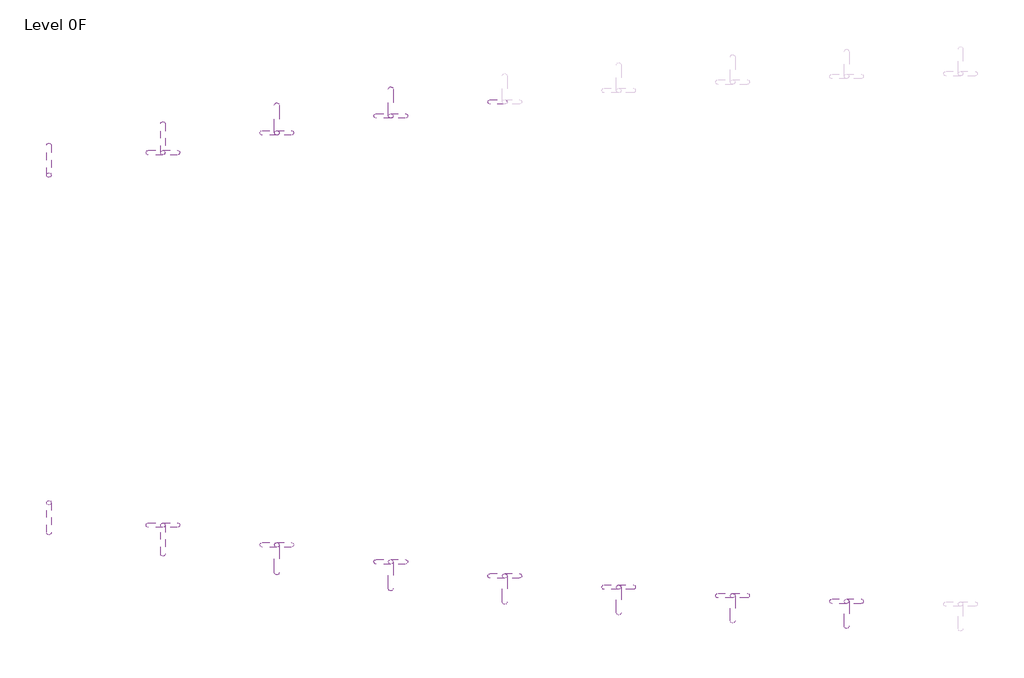
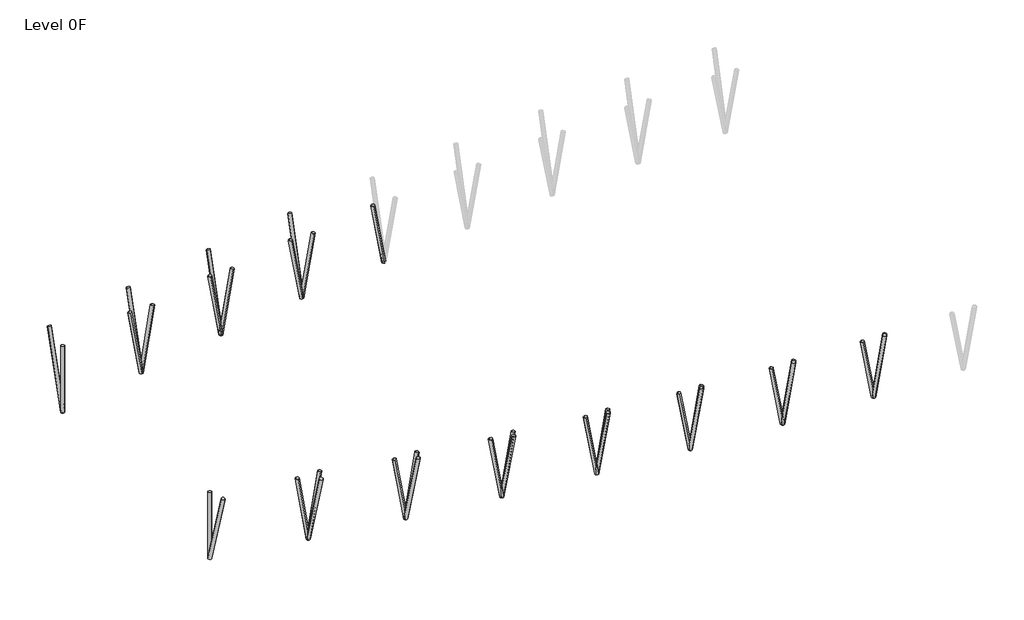
# One storey, part 1 of 3: 35 columns.
"""IFC4 building model written with IfcOpenShell, lengths in millimetres."""

from ifc_helpers import new_model, si_unit, point, frame, frame_2d, origin, place, context, project, spatial, circle_curve, trimmed, segment, composite_curve, outline, extrude, element, save

model = new_model("IFC4")

# Units and contexts
model_context = context("Model", 3, world=origin())
ifc_project = project(units=[si_unit("LENGTHUNIT", "METRE", prefix="MILLI")], contexts=[model_context])

# Site, building, storey
site = spatial("IfcSite", under=ifc_project)
building = spatial("IfcBuilding", under=site)
storey = spatial("IfcBuildingStorey", under=building, Name="Level 0F", Elevation=-1600.0)

# Columns
placement = place(None, origin())
element("IfcColumn", 1, ObjectType="CHS-Round tubes-Column : CHS 244.5x6", at=placement, inside=storey, context=model_context, shape_type="SweptSolid", body=[
    extrude(outline(composite_curve([segment(trimmed(circle_curve(frame_2d((0.0, -122.25)), 122.25), [point((0.0, -244.5))], [point((0.0, 0.0))], False, "CARTESIAN"), True, "CONTINUOUS"), segment(trimmed(circle_curve(frame_2d((0.0, -122.25)), 122.25), [point((0.0, 0.0))], [point((0.0, -244.5))], False, "CARTESIAN"), True, "CONTINUOUS")], self_intersect=False), holes=[composite_curve([segment(trimmed(circle_curve(frame_2d((0.0, -122.25)), 116.25), [point((0.0, -238.5))], [point((0.0, -6.0))], True, "CARTESIAN"), True, "CONTINUOUS"), segment(trimmed(circle_curve(frame_2d((0.0, -122.25)), 116.25), [point((0.0, -6.0))], [point((0.0, -238.5))], True, "CARTESIAN"), True, "CONTINUOUS")], self_intersect=False)]), frame((-43829.8410261, 29081.7727716, -100.0), z_axis=(0.0, 0.2883814640885274, 0.9575156036170677), x_axis=(0.0, 0.9575156036170677, -0.2883814640885274)), (0.0, 0.0, 1.0), 5326.2796289),
])
element("IfcColumn", 2, ObjectType="CHS-Round tubes-Column : CHS 244.5x6", at=placement, inside=storey, context=model_context, shape_type="SweptSolid", body=[
    extrude(outline(composite_curve([segment(trimmed(circle_curve(frame_2d((0.0, -122.25)), 122.25), [point((0.0, -244.5))], [point((0.0, 0.0))], False, "CARTESIAN"), True, "CONTINUOUS"), segment(trimmed(circle_curve(frame_2d((0.0, -122.25)), 122.25), [point((0.0, 0.0))], [point((0.0, -244.5))], False, "CARTESIAN"), True, "CONTINUOUS")], self_intersect=False), holes=[composite_curve([segment(trimmed(circle_curve(frame_2d((0.0, -122.25)), 116.25), [point((0.0, -238.5))], [point((0.0, -6.0))], True, "CARTESIAN"), True, "CONTINUOUS"), segment(trimmed(circle_curve(frame_2d((0.0, -122.25)), 116.25), [point((0.0, -6.0))], [point((0.0, -238.5))], True, "CARTESIAN"), True, "CONTINUOUS")], self_intersect=False)]), frame((-37947.4861899, 30239.1888192, -100.0), z_axis=(0.0, 0.2797142668685868, 0.9600832926940084), x_axis=(0.0, 0.9600832926940084, -0.2797142668685868)), (0.0, 0.0, 1.0), 5312.0347147),
])
element("IfcColumn", 3, ObjectType="CHS-Round tubes-Column : CHS 244.5x6", at=placement, inside=storey, context=model_context, shape_type="SweptSolid", body=[
    extrude(outline(composite_curve([segment(trimmed(circle_curve(frame_2d((0.0, -122.25)), 122.25), [point((0.0, -244.5))], [point((0.0, 0.0))], False, "CARTESIAN"), True, "CONTINUOUS"), segment(trimmed(circle_curve(frame_2d((0.0, -122.25)), 122.25), [point((0.0, 0.0))], [point((0.0, -244.5))], False, "CARTESIAN"), True, "CONTINUOUS")], self_intersect=False), holes=[composite_curve([segment(trimmed(circle_curve(frame_2d((0.0, -122.25)), 116.25), [point((0.0, -238.5))], [point((0.0, -6.0))], True, "CARTESIAN"), True, "CONTINUOUS"), segment(trimmed(circle_curve(frame_2d((0.0, -122.25)), 116.25), [point((0.0, -6.0))], [point((0.0, -238.5))], True, "CARTESIAN"), True, "CONTINUOUS")], self_intersect=False)]), frame((-32065.1313537, 31257.4980252, -100.0), z_axis=(0.0, 0.2711002690804337, 0.9625511124633935), x_axis=(0.0, 0.9625511124633935, -0.2711002690804337)), (0.0, 0.0, 1.0), 5298.4154803),
])
element("IfcColumn", 4, ObjectType="CHS-Round tubes-Column : CHS 244.5x6", at=placement, inside=storey, context=model_context, shape_type="SweptSolid", body=[
    extrude(outline(composite_curve([segment(trimmed(circle_curve(frame_2d((0.0, -122.25)), 122.25), [point((0.0, -244.5))], [point((0.0, 0.0))], False, "CARTESIAN"), True, "CONTINUOUS"), segment(trimmed(circle_curve(frame_2d((0.0, -122.25)), 122.25), [point((0.0, 0.0))], [point((0.0, -244.5))], False, "CARTESIAN"), True, "CONTINUOUS")], self_intersect=False), holes=[composite_curve([segment(trimmed(circle_curve(frame_2d((0.0, -122.25)), 116.25), [point((0.0, -238.5))], [point((0.0, -6.0))], True, "CARTESIAN"), True, "CONTINUOUS"), segment(trimmed(circle_curve(frame_2d((0.0, -122.25)), 116.25), [point((0.0, -6.0))], [point((0.0, -238.5))], True, "CARTESIAN"), True, "CONTINUOUS")], self_intersect=False)]), frame((-26182.7765175, 32132.3393642, -100.0), z_axis=(0.0, 0.2633116576114613, 0.9647108224571261), x_axis=(0.0, 0.9647108224571261, -0.2633116576114613)), (0.0, 0.0, 1.0), 5286.5537947),
])
element("IfcColumn", 5, ObjectType="CHS-Round tubes-Column : CHS 244.5x6", at=placement, inside=storey, context=model_context, shape_type="SweptSolid", body=[
    extrude(outline(composite_curve([segment(trimmed(circle_curve(frame_2d((0.0, -122.25)), 122.25), [point((0.0, -244.5))], [point((0.0, 0.0))], False, "CARTESIAN"), True, "CONTINUOUS"), segment(trimmed(circle_curve(frame_2d((0.0, -122.25)), 122.25), [point((0.0, 0.0))], [point((0.0, -244.5))], False, "CARTESIAN"), True, "CONTINUOUS")], self_intersect=False), holes=[composite_curve([segment(trimmed(circle_curve(frame_2d((0.0, -122.25)), 116.25), [point((0.0, -238.5))], [point((0.0, -6.0))], True, "CARTESIAN"), True, "CONTINUOUS"), segment(trimmed(circle_curve(frame_2d((0.0, -122.25)), 116.25), [point((0.0, -6.0))], [point((0.0, -238.5))], True, "CARTESIAN"), True, "CONTINUOUS")], self_intersect=False)]), frame((-43585.3410261, 12153.7774311, -100.0), z_axis=(0.0, -0.28838146408853027, 0.9575156036170668), x_axis=(0.0, -0.9575156036170668, -0.28838146408853027)), (0.0, 0.0, 1.0), 5326.2796289),
])
element("IfcColumn", 6, ObjectType="CHS-Round tubes-Column : CHS 244.5x6", at=placement, inside=storey, context=model_context, shape_type="SweptSolid", body=[
    extrude(outline(composite_curve([segment(trimmed(circle_curve(frame_2d((0.0, -122.25)), 122.25), [point((0.0, -244.5))], [point((0.0, 0.0))], False, "CARTESIAN"), True, "CONTINUOUS"), segment(trimmed(circle_curve(frame_2d((0.0, -122.25)), 122.25), [point((0.0, 0.0))], [point((0.0, -244.5))], False, "CARTESIAN"), True, "CONTINUOUS")], self_intersect=False), holes=[composite_curve([segment(trimmed(circle_curve(frame_2d((0.0, -122.25)), 116.25), [point((0.0, -238.5))], [point((0.0, -6.0))], True, "CARTESIAN"), True, "CONTINUOUS"), segment(trimmed(circle_curve(frame_2d((0.0, -122.25)), 116.25), [point((0.0, -6.0))], [point((0.0, -238.5))], True, "CARTESIAN"), True, "CONTINUOUS")], self_intersect=False)]), frame((-37702.9861899, 10996.3613836, -100.0), z_axis=(0.0, -0.2797142668685913, 0.960083292694007), x_axis=(0.0, -0.960083292694007, -0.2797142668685913)), (0.0, 0.0, 1.0), 5312.0347147),
])
element("IfcColumn", 7, ObjectType="CHS-Round tubes-Column : CHS 244.5x6", at=placement, inside=storey, context=model_context, shape_type="SweptSolid", body=[
    extrude(outline(composite_curve([segment(trimmed(circle_curve(frame_2d((0.0, -122.25)), 122.25), [point((0.0, -244.5))], [point((0.0, 0.0))], False, "CARTESIAN"), True, "CONTINUOUS"), segment(trimmed(circle_curve(frame_2d((0.0, -122.25)), 122.25), [point((0.0, 0.0))], [point((0.0, -244.5))], False, "CARTESIAN"), True, "CONTINUOUS")], self_intersect=False), holes=[composite_curve([segment(trimmed(circle_curve(frame_2d((0.0, -122.25)), 116.25), [point((0.0, -238.5))], [point((0.0, -6.0))], True, "CARTESIAN"), True, "CONTINUOUS"), segment(trimmed(circle_curve(frame_2d((0.0, -122.25)), 116.25), [point((0.0, -6.0))], [point((0.0, -238.5))], True, "CARTESIAN"), True, "CONTINUOUS")], self_intersect=False)]), frame((-31820.6313537, 9978.0521776, -100.0), z_axis=(0.0, -0.2711002690804368, 0.9625511124633928), x_axis=(0.0, -0.9625511124633928, -0.2711002690804368)), (0.0, 0.0, 1.0), 5298.4154803),
])
element("IfcColumn", 8, ObjectType="CHS-Round tubes-Column : CHS 244.5x6", at=placement, inside=storey, context=model_context, shape_type="SweptSolid", body=[
    extrude(outline(composite_curve([segment(trimmed(circle_curve(frame_2d((0.0, -122.25)), 122.25), [point((0.0, -244.5))], [point((0.0, 0.0))], False, "CARTESIAN"), True, "CONTINUOUS"), segment(trimmed(circle_curve(frame_2d((0.0, -122.25)), 122.25), [point((0.0, 0.0))], [point((0.0, -244.5))], False, "CARTESIAN"), True, "CONTINUOUS")], self_intersect=False), holes=[composite_curve([segment(trimmed(circle_curve(frame_2d((0.0, -122.25)), 116.25), [point((0.0, -238.5))], [point((0.0, -6.0))], True, "CARTESIAN"), True, "CONTINUOUS"), segment(trimmed(circle_curve(frame_2d((0.0, -122.25)), 116.25), [point((0.0, -6.0))], [point((0.0, -238.5))], True, "CARTESIAN"), True, "CONTINUOUS")], self_intersect=False)]), frame((-25938.2765175, 9103.2108385, -100.0), z_axis=(0.0, -0.2633116576114673, 0.9647108224571245), x_axis=(0.0, -0.9647108224571245, -0.2633116576114673)), (0.0, 0.0, 1.0), 5286.5537947),
])
element("IfcColumn", 9, ObjectType="CHS-Round tubes-Column : CHS 244.5x6", at=placement, inside=storey, context=model_context, shape_type="SweptSolid", body=[
    extrude(outline(composite_curve([segment(trimmed(circle_curve(frame_2d((0.0, -122.25)), 122.25), [point((0.0, -244.5))], [point((0.0, 0.0))], False, "CARTESIAN"), True, "CONTINUOUS"), segment(trimmed(circle_curve(frame_2d((0.0, -122.25)), 122.25), [point((0.0, 0.0))], [point((0.0, -244.5))], False, "CARTESIAN"), True, "CONTINUOUS")], self_intersect=False), holes=[composite_curve([segment(trimmed(circle_curve(frame_2d((0.0, -122.25)), 116.25), [point((0.0, -238.5))], [point((0.0, -6.0))], True, "CARTESIAN"), True, "CONTINUOUS"), segment(trimmed(circle_curve(frame_2d((0.0, -122.25)), 116.25), [point((0.0, -6.0))], [point((0.0, -238.5))], True, "CARTESIAN"), True, "CONTINUOUS")], self_intersect=False)]), frame((-20055.9216814, 8373.7608267, -100.0), z_axis=(0.0, -0.2567079480598628, 0.9664890218739656), x_axis=(0.0, -0.9664890218739656, -0.2567079480598628)), (0.0, 0.0, 1.0), 5276.8272557),
])
element("IfcColumn", 10, ObjectType="CHS-Round tubes-Column : CHS 244.5x6", at=placement, inside=storey, context=model_context, shape_type="SweptSolid", body=[
    extrude(outline(composite_curve([segment(trimmed(circle_curve(frame_2d((0.0, -122.25)), 122.25), [point((0.0, -244.5))], [point((0.0, 0.0))], False, "CARTESIAN"), True, "CONTINUOUS"), segment(trimmed(circle_curve(frame_2d((0.0, -122.25)), 122.25), [point((0.0, 0.0))], [point((0.0, -244.5))], False, "CARTESIAN"), True, "CONTINUOUS")], self_intersect=False), holes=[composite_curve([segment(trimmed(circle_curve(frame_2d((0.0, -122.25)), 116.25), [point((0.0, -238.5))], [point((0.0, -6.0))], True, "CARTESIAN"), True, "CONTINUOUS"), segment(trimmed(circle_curve(frame_2d((0.0, -122.25)), 116.25), [point((0.0, -6.0))], [point((0.0, -238.5))], True, "CARTESIAN"), True, "CONTINUOUS")], self_intersect=False)]), frame((-14173.5668452, 7790.3447371, -100.0), z_axis=(0.0, -0.25142450676451505, 0.9678769123179974), x_axis=(0.0, -0.9678769123179974, -0.25142450676451505)), (0.0, 0.0, 1.0), 5269.2604927),
])
element("IfcColumn", 11, ObjectType="CHS-Round tubes-Column : CHS 244.5x6", at=placement, inside=storey, context=model_context, shape_type="SweptSolid", body=[
    extrude(outline(composite_curve([segment(trimmed(circle_curve(frame_2d((0.0, -122.25)), 122.25), [point((0.0, -244.5))], [point((0.0, 0.0))], False, "CARTESIAN"), True, "CONTINUOUS"), segment(trimmed(circle_curve(frame_2d((0.0, -122.25)), 122.25), [point((0.0, 0.0))], [point((0.0, -244.5))], False, "CARTESIAN"), True, "CONTINUOUS")], self_intersect=False), holes=[composite_curve([segment(trimmed(circle_curve(frame_2d((0.0, -122.25)), 116.25), [point((0.0, -238.5))], [point((0.0, -6.0))], True, "CARTESIAN"), True, "CONTINUOUS"), segment(trimmed(circle_curve(frame_2d((0.0, -122.25)), 116.25), [point((0.0, -6.0))], [point((0.0, -238.5))], True, "CARTESIAN"), True, "CONTINUOUS")], self_intersect=False)]), frame((-8291.212009, 7353.0170307, -100.0), z_axis=(0.0, -0.24748889093570048, 0.9688907311267958), x_axis=(0.0, -0.9688907311267958, -0.24748889093570048)), (0.0, 0.0, 1.0), 5263.7468645),
])
element("IfcColumn", 12, ObjectType="CHS-Round tubes-Column : CHS 244.5x6", at=placement, inside=storey, context=model_context, shape_type="SweptSolid", body=[
    extrude(outline(composite_curve([segment(trimmed(circle_curve(frame_2d((0.0, -122.25)), 122.25), [point((0.0, -244.5))], [point((0.0, 0.0))], False, "CARTESIAN"), True, "CONTINUOUS"), segment(trimmed(circle_curve(frame_2d((0.0, -122.25)), 122.25), [point((0.0, 0.0))], [point((0.0, -244.5))], False, "CARTESIAN"), True, "CONTINUOUS")], self_intersect=False), holes=[composite_curve([segment(trimmed(circle_curve(frame_2d((0.0, -122.25)), 116.25), [point((0.0, -238.5))], [point((0.0, -6.0))], True, "CARTESIAN"), True, "CONTINUOUS"), segment(trimmed(circle_curve(frame_2d((0.0, -122.25)), 116.25), [point((0.0, -6.0))], [point((0.0, -238.5))], True, "CARTESIAN"), True, "CONTINUOUS")], self_intersect=False)]), frame((-2408.8571728, 7061.6198873, -100.0), z_axis=(0.0, -0.24488595042368794, 0.9695518920022214), x_axis=(0.0, -0.9695518920022214, -0.24488595042368794)), (0.0, 0.0, 1.0), 5260.1573692),
])
element("IfcColumn", 13, ObjectType="CHS-Round tubes-Column : CHS 244.5x6", at=placement, inside=storey, context=model_context, shape_type="SweptSolid", body=[
    extrude(outline(composite_curve([segment(trimmed(circle_curve(frame_2d((-43707.5910261, 29081.7727716)), 122.25), [point((-43829.8410261, 29081.7727716))], [point((-43585.3410261, 29081.7727716))], False, "CARTESIAN"), True, "CONTINUOUS"), segment(trimmed(circle_curve(frame_2d((-43707.5910261, 29081.7727716)), 122.25), [point((-43585.3410261, 29081.7727716))], [point((-43829.8410261, 29081.7727716))], False, "CARTESIAN"), True, "CONTINUOUS")], self_intersect=False), holes=[composite_curve([segment(trimmed(circle_curve(frame_2d((-43707.5910261, 29081.7727716)), 116.25), [point((-43823.8410261, 29081.7727716))], [point((-43591.3410261, 29081.7727716))], True, "CARTESIAN"), True, "CONTINUOUS"), segment(trimmed(circle_curve(frame_2d((-43707.5910261, 29081.7727716)), 116.25), [point((-43591.3410261, 29081.7727716))], [point((-43823.8410261, 29081.7727716))], True, "CARTESIAN"), True, "CONTINUOUS")], self_intersect=False)]), frame((0.0, 0.0, -100.0), z_axis=(0.0, 0.0, 1.0), x_axis=(1.0, 0.0, 0.0)), (0.0, 0.0, 1.0), 4651.9969426),
])
element("IfcColumn", 14, ObjectType="CHS-Round tubes-Column : CHS 244.5x6", at=placement, inside=storey, context=model_context, shape_type="SweptSolid", body=[
    extrude(outline(composite_curve([segment(trimmed(circle_curve(frame_2d((-43707.5910261, 12153.7774311)), 122.25), [point((-43829.8410261, 12153.7774311))], [point((-43585.3410261, 12153.7774311))], False, "CARTESIAN"), True, "CONTINUOUS"), segment(trimmed(circle_curve(frame_2d((-43707.5910261, 12153.7774311)), 122.25), [point((-43585.3410261, 12153.7774311))], [point((-43829.8410261, 12153.7774311))], False, "CARTESIAN"), True, "CONTINUOUS")], self_intersect=False), holes=[composite_curve([segment(trimmed(circle_curve(frame_2d((-43707.5910261, 12153.7774311)), 116.25), [point((-43823.8410261, 12153.7774311))], [point((-43591.3410261, 12153.7774311))], True, "CARTESIAN"), True, "CONTINUOUS"), segment(trimmed(circle_curve(frame_2d((-43707.5910261, 12153.7774311)), 116.25), [point((-43591.3410261, 12153.7774311))], [point((-43823.8410261, 12153.7774311))], True, "CARTESIAN"), True, "CONTINUOUS")], self_intersect=False)]), frame((0.0, 0.0, -100.0), z_axis=(0.0, 0.0, 1.0), x_axis=(1.0, 0.0, 0.0)), (0.0, 0.0, 1.0), 4651.9969426),
])
element("IfcColumn", 15, ObjectType="CHS-Round tubes-Column : CHS 244.5x6", at=placement, inside=storey, context=model_context, shape_type="SweptSolid", body=[
    extrude(outline(composite_curve([segment(trimmed(circle_curve(frame_2d((0.0, -122.25)), 122.25), [point((0.0, -244.5))], [point((0.0, 0.0))], False, "CARTESIAN"), True, "CONTINUOUS"), segment(trimmed(circle_curve(frame_2d((0.0, -122.25)), 122.25), [point((0.0, 0.0))], [point((0.0, -244.5))], False, "CARTESIAN"), True, "CONTINUOUS")], self_intersect=False), holes=[composite_curve([segment(trimmed(circle_curve(frame_2d((0.0, -122.25)), 116.25), [point((0.0, -238.5))], [point((0.0, -6.0))], True, "CARTESIAN"), True, "CONTINUOUS"), segment(trimmed(circle_curve(frame_2d((0.0, -122.25)), 116.25), [point((0.0, -6.0))], [point((0.0, -238.5))], True, "CARTESIAN"), True, "CONTINUOUS")], self_intersect=False)]), frame((-37825.2361899, 30361.4388192, -100.0), z_axis=(0.1641684659981012, 0.0, 0.9864323163663234), x_axis=(0.9864323163663234, 0.0, -0.1641684659981012)), (0.0, 0.0, 1.0), 4568.4778465),
])
element("IfcColumn", 16, ObjectType="CHS-Round tubes-Column : CHS 244.5x6", at=placement, inside=storey, context=model_context, shape_type="SweptSolid", body=[
    extrude(outline(composite_curve([segment(trimmed(circle_curve(frame_2d((0.0, -122.25)), 122.25), [point((0.0, -244.5))], [point((0.0, 0.0))], False, "CARTESIAN"), True, "CONTINUOUS"), segment(trimmed(circle_curve(frame_2d((0.0, -122.25)), 122.25), [point((0.0, 0.0))], [point((0.0, -244.5))], False, "CARTESIAN"), True, "CONTINUOUS")], self_intersect=False), holes=[composite_curve([segment(trimmed(circle_curve(frame_2d((0.0, -122.25)), 116.25), [point((0.0, -238.5))], [point((0.0, -6.0))], True, "CARTESIAN"), True, "CONTINUOUS"), segment(trimmed(circle_curve(frame_2d((0.0, -122.25)), 116.25), [point((0.0, -6.0))], [point((0.0, -238.5))], True, "CARTESIAN"), True, "CONTINUOUS")], self_intersect=False)]), frame((-37825.2361899, 30116.9388192, -100.0), z_axis=(-0.1641684659981012, 0.0, 0.9864323163663234), x_axis=(-0.9864323163663234, 0.0, -0.1641684659981012)), (0.0, 0.0, 1.0), 4568.4778465),
])
element("IfcColumn", 17, ObjectType="CHS-Round tubes-Column : CHS 244.5x6", at=placement, inside=storey, context=model_context, shape_type="SweptSolid", body=[
    extrude(outline(composite_curve([segment(trimmed(circle_curve(frame_2d((0.0, -122.25)), 122.25), [point((0.0, -244.5))], [point((0.0, 0.0))], False, "CARTESIAN"), True, "CONTINUOUS"), segment(trimmed(circle_curve(frame_2d((0.0, -122.25)), 122.25), [point((0.0, 0.0))], [point((0.0, -244.5))], False, "CARTESIAN"), True, "CONTINUOUS")], self_intersect=False), holes=[composite_curve([segment(trimmed(circle_curve(frame_2d((0.0, -122.25)), 116.25), [point((0.0, -238.5))], [point((0.0, -6.0))], True, "CARTESIAN"), True, "CONTINUOUS"), segment(trimmed(circle_curve(frame_2d((0.0, -122.25)), 116.25), [point((0.0, -6.0))], [point((0.0, -238.5))], True, "CARTESIAN"), True, "CONTINUOUS")], self_intersect=False)]), frame((-31942.8813537, 31379.7480252, -100.0), z_axis=(0.16820962636476575, 0.0, 0.9857512473226834), x_axis=(0.9857512473226834, 0.0, -0.16820962636476575)), (0.0, 0.0, 1.0), 4458.7222278),
])
element("IfcColumn", 18, ObjectType="CHS-Round tubes-Column : CHS 244.5x6", at=placement, inside=storey, context=model_context, shape_type="SweptSolid", body=[
    extrude(outline(composite_curve([segment(trimmed(circle_curve(frame_2d((0.0, -122.25)), 122.25), [point((0.0, -244.5))], [point((0.0, 0.0))], False, "CARTESIAN"), True, "CONTINUOUS"), segment(trimmed(circle_curve(frame_2d((0.0, -122.25)), 122.25), [point((0.0, 0.0))], [point((0.0, -244.5))], False, "CARTESIAN"), True, "CONTINUOUS")], self_intersect=False), holes=[composite_curve([segment(trimmed(circle_curve(frame_2d((0.0, -122.25)), 116.25), [point((0.0, -238.5))], [point((0.0, -6.0))], True, "CARTESIAN"), True, "CONTINUOUS"), segment(trimmed(circle_curve(frame_2d((0.0, -122.25)), 116.25), [point((0.0, -6.0))], [point((0.0, -238.5))], True, "CARTESIAN"), True, "CONTINUOUS")], self_intersect=False)]), frame((-31942.8813537, 31135.2480252, -100.0), z_axis=(-0.16820962636476575, 0.0, 0.9857512473226834), x_axis=(-0.9857512473226834, 0.0, -0.16820962636476575)), (0.0, 0.0, 1.0), 4458.7222278),
])
element("IfcColumn", 19, ObjectType="CHS-Round tubes-Column : CHS 244.5x6", at=placement, inside=storey, context=model_context, shape_type="SweptSolid", body=[
    extrude(outline(composite_curve([segment(trimmed(circle_curve(frame_2d((0.0, -122.25)), 122.25), [point((0.0, -244.5))], [point((0.0, 0.0))], False, "CARTESIAN"), True, "CONTINUOUS"), segment(trimmed(circle_curve(frame_2d((0.0, -122.25)), 122.25), [point((0.0, 0.0))], [point((0.0, -244.5))], False, "CARTESIAN"), True, "CONTINUOUS")], self_intersect=False), holes=[composite_curve([segment(trimmed(circle_curve(frame_2d((0.0, -122.25)), 116.25), [point((0.0, -238.5))], [point((0.0, -6.0))], True, "CARTESIAN"), True, "CONTINUOUS"), segment(trimmed(circle_curve(frame_2d((0.0, -122.25)), 116.25), [point((0.0, -6.0))], [point((0.0, -238.5))], True, "CARTESIAN"), True, "CONTINUOUS")], self_intersect=False)]), frame((-26060.5265175, 32254.5893642, -100.0), z_axis=(0.171393918802696, 0.0, 0.9852025804865997), x_axis=(0.9852025804865997, 0.0, -0.171393918802696)), (0.0, 0.0, 1.0), 4375.8845427),
])
element("IfcColumn", 20, ObjectType="CHS-Round tubes-Column : CHS 244.5x6", at=placement, inside=storey, context=model_context, shape_type="SweptSolid", body=[
    extrude(outline(composite_curve([segment(trimmed(circle_curve(frame_2d((0.0, -122.25)), 122.25), [point((0.0, -244.5))], [point((0.0, 0.0))], False, "CARTESIAN"), True, "CONTINUOUS"), segment(trimmed(circle_curve(frame_2d((0.0, -122.25)), 122.25), [point((0.0, 0.0))], [point((0.0, -244.5))], False, "CARTESIAN"), True, "CONTINUOUS")], self_intersect=False), holes=[composite_curve([segment(trimmed(circle_curve(frame_2d((0.0, -122.25)), 116.25), [point((0.0, -238.5))], [point((0.0, -6.0))], True, "CARTESIAN"), True, "CONTINUOUS"), segment(trimmed(circle_curve(frame_2d((0.0, -122.25)), 116.25), [point((0.0, -6.0))], [point((0.0, -238.5))], True, "CARTESIAN"), True, "CONTINUOUS")], self_intersect=False)]), frame((-26060.5265175, 32010.0893642, -100.0), z_axis=(-0.171393918802696, 0.0, 0.9852025804865997), x_axis=(-0.9852025804865997, 0.0, -0.171393918802696)), (0.0, 0.0, 1.0), 4375.8845427),
])
element("IfcColumn", 21, ObjectType="CHS-Round tubes-Column : CHS 244.5x6", at=placement, inside=storey, context=model_context, shape_type="SweptSolid", body=[
    extrude(outline(composite_curve([segment(trimmed(circle_curve(frame_2d((0.0, -122.25)), 122.25), [point((0.0, -244.5))], [point((0.0, 0.0))], False, "CARTESIAN"), True, "CONTINUOUS"), segment(trimmed(circle_curve(frame_2d((0.0, -122.25)), 122.25), [point((0.0, 0.0))], [point((0.0, -244.5))], False, "CARTESIAN"), True, "CONTINUOUS")], self_intersect=False), holes=[composite_curve([segment(trimmed(circle_curve(frame_2d((0.0, -122.25)), 116.25), [point((0.0, -238.5))], [point((0.0, -6.0))], True, "CARTESIAN"), True, "CONTINUOUS"), segment(trimmed(circle_curve(frame_2d((0.0, -122.25)), 116.25), [point((0.0, -6.0))], [point((0.0, -238.5))], True, "CARTESIAN"), True, "CONTINUOUS")], self_intersect=False)]), frame((-20178.1716814, 32739.539376, -100.0), z_axis=(-0.17384494441151682, 0.0, 0.9847730374571375), x_axis=(-0.9847730374571375, 0.0, -0.17384494441151682)), (0.0, 0.0, 1.0), 4314.1893055),
])
element("IfcColumn", 22, ObjectType="CHS-Round tubes-Column : CHS 244.5x6", at=placement, inside=storey, context=model_context, shape_type="SweptSolid", body=[
    extrude(outline(composite_curve([segment(trimmed(circle_curve(frame_2d((0.0, -122.25)), 122.25), [point((0.0, -244.5))], [point((0.0, 0.0))], False, "CARTESIAN"), True, "CONTINUOUS"), segment(trimmed(circle_curve(frame_2d((0.0, -122.25)), 122.25), [point((0.0, 0.0))], [point((0.0, -244.5))], False, "CARTESIAN"), True, "CONTINUOUS")], self_intersect=False), holes=[composite_curve([segment(trimmed(circle_curve(frame_2d((0.0, -122.25)), 116.25), [point((0.0, -238.5))], [point((0.0, -6.0))], True, "CARTESIAN"), True, "CONTINUOUS"), segment(trimmed(circle_curve(frame_2d((0.0, -122.25)), 116.25), [point((0.0, -6.0))], [point((0.0, -238.5))], True, "CARTESIAN"), True, "CONTINUOUS")], self_intersect=False)]), frame((-37825.2361899, 11118.6113836, -100.0), z_axis=(0.16416846599810114, 0.0, 0.9864323163663234), x_axis=(0.9864323163663234, 0.0, -0.16416846599810114)), (0.0, 0.0, 1.0), 4568.4778465),
])
element("IfcColumn", 23, ObjectType="CHS-Round tubes-Column : CHS 244.5x6", at=placement, inside=storey, context=model_context, shape_type="SweptSolid", body=[
    extrude(outline(composite_curve([segment(trimmed(circle_curve(frame_2d((0.0, -122.25)), 122.25), [point((0.0, -244.5))], [point((0.0, 0.0))], False, "CARTESIAN"), True, "CONTINUOUS"), segment(trimmed(circle_curve(frame_2d((0.0, -122.25)), 122.25), [point((0.0, 0.0))], [point((0.0, -244.5))], False, "CARTESIAN"), True, "CONTINUOUS")], self_intersect=False), holes=[composite_curve([segment(trimmed(circle_curve(frame_2d((0.0, -122.25)), 116.25), [point((0.0, -238.5))], [point((0.0, -6.0))], True, "CARTESIAN"), True, "CONTINUOUS"), segment(trimmed(circle_curve(frame_2d((0.0, -122.25)), 116.25), [point((0.0, -6.0))], [point((0.0, -238.5))], True, "CARTESIAN"), True, "CONTINUOUS")], self_intersect=False)]), frame((-37825.2361899, 10874.1113836, -100.0), z_axis=(-0.16416846599810114, 0.0, 0.9864323163663234), x_axis=(-0.9864323163663234, 0.0, -0.16416846599810114)), (0.0, 0.0, 1.0), 4568.4778465),
])
element("IfcColumn", 24, ObjectType="CHS-Round tubes-Column : CHS 244.5x6", at=placement, inside=storey, context=model_context, shape_type="SweptSolid", body=[
    extrude(outline(composite_curve([segment(trimmed(circle_curve(frame_2d((0.0, -122.25)), 122.25), [point((0.0, -244.5))], [point((0.0, 0.0))], False, "CARTESIAN"), True, "CONTINUOUS"), segment(trimmed(circle_curve(frame_2d((0.0, -122.25)), 122.25), [point((0.0, 0.0))], [point((0.0, -244.5))], False, "CARTESIAN"), True, "CONTINUOUS")], self_intersect=False), holes=[composite_curve([segment(trimmed(circle_curve(frame_2d((0.0, -122.25)), 116.25), [point((0.0, -238.5))], [point((0.0, -6.0))], True, "CARTESIAN"), True, "CONTINUOUS"), segment(trimmed(circle_curve(frame_2d((0.0, -122.25)), 116.25), [point((0.0, -6.0))], [point((0.0, -238.5))], True, "CARTESIAN"), True, "CONTINUOUS")], self_intersect=False)]), frame((-31942.8813537, 10100.3021776, -100.0), z_axis=(0.1682096263647666, 0.0, 0.9857512473226832), x_axis=(0.9857512473226832, 0.0, -0.1682096263647666)), (0.0, 0.0, 1.0), 4458.7222278),
])
element("IfcColumn", 25, ObjectType="CHS-Round tubes-Column : CHS 244.5x6", at=placement, inside=storey, context=model_context, shape_type="SweptSolid", body=[
    extrude(outline(composite_curve([segment(trimmed(circle_curve(frame_2d((0.0, -122.25)), 122.25), [point((0.0, -244.5))], [point((0.0, 0.0))], False, "CARTESIAN"), True, "CONTINUOUS"), segment(trimmed(circle_curve(frame_2d((0.0, -122.25)), 122.25), [point((0.0, 0.0))], [point((0.0, -244.5))], False, "CARTESIAN"), True, "CONTINUOUS")], self_intersect=False), holes=[composite_curve([segment(trimmed(circle_curve(frame_2d((0.0, -122.25)), 116.25), [point((0.0, -238.5))], [point((0.0, -6.0))], True, "CARTESIAN"), True, "CONTINUOUS"), segment(trimmed(circle_curve(frame_2d((0.0, -122.25)), 116.25), [point((0.0, -6.0))], [point((0.0, -238.5))], True, "CARTESIAN"), True, "CONTINUOUS")], self_intersect=False)]), frame((-31942.8813537, 9855.8021776, -100.0), z_axis=(-0.1682096263647666, 0.0, 0.9857512473226832), x_axis=(-0.9857512473226832, 0.0, -0.1682096263647666)), (0.0, 0.0, 1.0), 4458.7222278),
])
element("IfcColumn", 26, ObjectType="CHS-Round tubes-Column : CHS 244.5x6", at=placement, inside=storey, context=model_context, shape_type="SweptSolid", body=[
    extrude(outline(composite_curve([segment(trimmed(circle_curve(frame_2d((0.0, -122.25)), 122.25), [point((0.0, -244.5))], [point((0.0, 0.0))], False, "CARTESIAN"), True, "CONTINUOUS"), segment(trimmed(circle_curve(frame_2d((0.0, -122.25)), 122.25), [point((0.0, 0.0))], [point((0.0, -244.5))], False, "CARTESIAN"), True, "CONTINUOUS")], self_intersect=False), holes=[composite_curve([segment(trimmed(circle_curve(frame_2d((0.0, -122.25)), 116.25), [point((0.0, -238.5))], [point((0.0, -6.0))], True, "CARTESIAN"), True, "CONTINUOUS"), segment(trimmed(circle_curve(frame_2d((0.0, -122.25)), 116.25), [point((0.0, -6.0))], [point((0.0, -238.5))], True, "CARTESIAN"), True, "CONTINUOUS")], self_intersect=False)]), frame((-26060.5265175, 9225.4608385, -100.0), z_axis=(0.1713939188026959, 0.0, 0.9852025804865997), x_axis=(0.9852025804865997, 0.0, -0.1713939188026959)), (0.0, 0.0, 1.0), 4375.8845427),
])
element("IfcColumn", 27, ObjectType="CHS-Round tubes-Column : CHS 244.5x6", at=placement, inside=storey, context=model_context, shape_type="SweptSolid", body=[
    extrude(outline(composite_curve([segment(trimmed(circle_curve(frame_2d((0.0, -122.25)), 122.25), [point((0.0, -244.5))], [point((0.0, 0.0))], False, "CARTESIAN"), True, "CONTINUOUS"), segment(trimmed(circle_curve(frame_2d((0.0, -122.25)), 122.25), [point((0.0, 0.0))], [point((0.0, -244.5))], False, "CARTESIAN"), True, "CONTINUOUS")], self_intersect=False), holes=[composite_curve([segment(trimmed(circle_curve(frame_2d((0.0, -122.25)), 116.25), [point((0.0, -238.5))], [point((0.0, -6.0))], True, "CARTESIAN"), True, "CONTINUOUS"), segment(trimmed(circle_curve(frame_2d((0.0, -122.25)), 116.25), [point((0.0, -6.0))], [point((0.0, -238.5))], True, "CARTESIAN"), True, "CONTINUOUS")], self_intersect=False)]), frame((-26060.5265175, 8980.9608385, -100.0), z_axis=(-0.1713939188026959, 0.0, 0.9852025804865997), x_axis=(-0.9852025804865997, 0.0, -0.1713939188026959)), (0.0, 0.0, 1.0), 4375.8845427),
])
element("IfcColumn", 28, ObjectType="CHS-Round tubes-Column : CHS 244.5x6", at=placement, inside=storey, context=model_context, shape_type="SweptSolid", body=[
    extrude(outline(composite_curve([segment(trimmed(circle_curve(frame_2d((0.0, -122.25)), 122.25), [point((0.0, -244.5))], [point((0.0, 0.0))], False, "CARTESIAN"), True, "CONTINUOUS"), segment(trimmed(circle_curve(frame_2d((0.0, -122.25)), 122.25), [point((0.0, 0.0))], [point((0.0, -244.5))], False, "CARTESIAN"), True, "CONTINUOUS")], self_intersect=False), holes=[composite_curve([segment(trimmed(circle_curve(frame_2d((0.0, -122.25)), 116.25), [point((0.0, -238.5))], [point((0.0, -6.0))], True, "CARTESIAN"), True, "CONTINUOUS"), segment(trimmed(circle_curve(frame_2d((0.0, -122.25)), 116.25), [point((0.0, -6.0))], [point((0.0, -238.5))], True, "CARTESIAN"), True, "CONTINUOUS")], self_intersect=False)]), frame((-20178.1716814, 8496.0108267, -100.0), z_axis=(0.17384494441152226, 0.0, 0.9847730374571365), x_axis=(0.9847730374571365, 0.0, -0.17384494441152226)), (0.0, 0.0, 1.0), 4314.1893055),
])
element("IfcColumn", 29, ObjectType="CHS-Round tubes-Column : CHS 244.5x6", at=placement, inside=storey, context=model_context, shape_type="SweptSolid", body=[
    extrude(outline(composite_curve([segment(trimmed(circle_curve(frame_2d((0.0, -122.25)), 122.25), [point((0.0, -244.5))], [point((0.0, 0.0))], False, "CARTESIAN"), True, "CONTINUOUS"), segment(trimmed(circle_curve(frame_2d((0.0, -122.25)), 122.25), [point((0.0, 0.0))], [point((0.0, -244.5))], False, "CARTESIAN"), True, "CONTINUOUS")], self_intersect=False), holes=[composite_curve([segment(trimmed(circle_curve(frame_2d((0.0, -122.25)), 116.25), [point((0.0, -238.5))], [point((0.0, -6.0))], True, "CARTESIAN"), True, "CONTINUOUS"), segment(trimmed(circle_curve(frame_2d((0.0, -122.25)), 116.25), [point((0.0, -6.0))], [point((0.0, -238.5))], True, "CARTESIAN"), True, "CONTINUOUS")], self_intersect=False)]), frame((-20178.1716814, 8251.5108267, -100.0), z_axis=(-0.17384494441152173, 0.0, 0.9847730374571366), x_axis=(-0.9847730374571366, 0.0, -0.17384494441152173)), (0.0, 0.0, 1.0), 4314.1893055),
])
element("IfcColumn", 30, ObjectType="CHS-Round tubes-Column : CHS 244.5x6", at=placement, inside=storey, context=model_context, shape_type="SweptSolid", body=[
    extrude(outline(composite_curve([segment(trimmed(circle_curve(frame_2d((0.0, -122.25)), 122.25), [point((0.0, -244.5))], [point((0.0, 0.0))], False, "CARTESIAN"), True, "CONTINUOUS"), segment(trimmed(circle_curve(frame_2d((0.0, -122.25)), 122.25), [point((0.0, 0.0))], [point((0.0, -244.5))], False, "CARTESIAN"), True, "CONTINUOUS")], self_intersect=False), holes=[composite_curve([segment(trimmed(circle_curve(frame_2d((0.0, -122.25)), 116.25), [point((0.0, -238.5))], [point((0.0, -6.0))], True, "CARTESIAN"), True, "CONTINUOUS"), segment(trimmed(circle_curve(frame_2d((0.0, -122.25)), 116.25), [point((0.0, -6.0))], [point((0.0, -238.5))], True, "CARTESIAN"), True, "CONTINUOUS")], self_intersect=False)]), frame((-14295.8168452, 7912.5947371, -100.0), z_axis=(0.1756746286951812, 0.0, 0.9844482844887334), x_axis=(0.9844482844887334, 0.0, -0.1756746286951812)), (0.0, 0.0, 1.0), 4269.2562129),
])
element("IfcColumn", 31, ObjectType="CHS-Round tubes-Column : CHS 244.5x6", at=placement, inside=storey, context=model_context, shape_type="SweptSolid", body=[
    extrude(outline(composite_curve([segment(trimmed(circle_curve(frame_2d((0.0, -122.25)), 122.25), [point((0.0, -244.5))], [point((0.0, 0.0))], False, "CARTESIAN"), True, "CONTINUOUS"), segment(trimmed(circle_curve(frame_2d((0.0, -122.25)), 122.25), [point((0.0, 0.0))], [point((0.0, -244.5))], False, "CARTESIAN"), True, "CONTINUOUS")], self_intersect=False), holes=[composite_curve([segment(trimmed(circle_curve(frame_2d((0.0, -122.25)), 116.25), [point((0.0, -238.5))], [point((0.0, -6.0))], True, "CARTESIAN"), True, "CONTINUOUS"), segment(trimmed(circle_curve(frame_2d((0.0, -122.25)), 116.25), [point((0.0, -6.0))], [point((0.0, -238.5))], True, "CARTESIAN"), True, "CONTINUOUS")], self_intersect=False)]), frame((-14295.8168452, 7668.0947371, -100.0), z_axis=(-0.1756746286951812, 0.0, 0.9844482844887334), x_axis=(-0.9844482844887334, 0.0, -0.1756746286951812)), (0.0, 0.0, 1.0), 4269.2562129),
])
element("IfcColumn", 32, ObjectType="CHS-Round tubes-Column : CHS 244.5x6", at=placement, inside=storey, context=model_context, shape_type="SweptSolid", body=[
    extrude(outline(composite_curve([segment(trimmed(circle_curve(frame_2d((0.0, -122.25)), 122.25), [point((0.0, -244.5))], [point((0.0, 0.0))], False, "CARTESIAN"), True, "CONTINUOUS"), segment(trimmed(circle_curve(frame_2d((0.0, -122.25)), 122.25), [point((0.0, 0.0))], [point((0.0, -244.5))], False, "CARTESIAN"), True, "CONTINUOUS")], self_intersect=False), holes=[composite_curve([segment(trimmed(circle_curve(frame_2d((0.0, -122.25)), 116.25), [point((0.0, -238.5))], [point((0.0, -6.0))], True, "CARTESIAN"), True, "CONTINUOUS"), segment(trimmed(circle_curve(frame_2d((0.0, -122.25)), 116.25), [point((0.0, -6.0))], [point((0.0, -238.5))], True, "CARTESIAN"), True, "CONTINUOUS")], self_intersect=False)]), frame((-8413.462009, 7475.2670307, -100.0), z_axis=(0.17697230239487166, 0.0, 0.984215832114612), x_axis=(0.984215832114612, 0.0, -0.17697230239487166)), (0.0, 0.0, 1.0), 4237.9513057),
])
element("IfcColumn", 33, ObjectType="CHS-Round tubes-Column : CHS 244.5x6", at=placement, inside=storey, context=model_context, shape_type="SweptSolid", body=[
    extrude(outline(composite_curve([segment(trimmed(circle_curve(frame_2d((0.0, -122.25)), 122.25), [point((0.0, -244.5))], [point((0.0, 0.0))], False, "CARTESIAN"), True, "CONTINUOUS"), segment(trimmed(circle_curve(frame_2d((0.0, -122.25)), 122.25), [point((0.0, 0.0))], [point((0.0, -244.5))], False, "CARTESIAN"), True, "CONTINUOUS")], self_intersect=False), holes=[composite_curve([segment(trimmed(circle_curve(frame_2d((0.0, -122.25)), 116.25), [point((0.0, -238.5))], [point((0.0, -6.0))], True, "CARTESIAN"), True, "CONTINUOUS"), segment(trimmed(circle_curve(frame_2d((0.0, -122.25)), 116.25), [point((0.0, -6.0))], [point((0.0, -238.5))], True, "CARTESIAN"), True, "CONTINUOUS")], self_intersect=False)]), frame((-8413.462009, 7230.7670307, -100.0), z_axis=(-0.17697230239487166, 0.0, 0.984215832114612), x_axis=(-0.984215832114612, 0.0, -0.17697230239487166)), (0.0, 0.0, 1.0), 4237.9513057),
])
element("IfcColumn", 34, ObjectType="CHS-Round tubes-Column : CHS 244.5x6", at=placement, inside=storey, context=model_context, shape_type="SweptSolid", body=[
    extrude(outline(composite_curve([segment(trimmed(circle_curve(frame_2d((0.0, -122.25)), 122.25), [point((0.0, -244.5))], [point((0.0, 0.0))], False, "CARTESIAN"), True, "CONTINUOUS"), segment(trimmed(circle_curve(frame_2d((0.0, -122.25)), 122.25), [point((0.0, 0.0))], [point((0.0, -244.5))], False, "CARTESIAN"), True, "CONTINUOUS")], self_intersect=False), holes=[composite_curve([segment(trimmed(circle_curve(frame_2d((0.0, -122.25)), 116.25), [point((0.0, -238.5))], [point((0.0, -6.0))], True, "CARTESIAN"), True, "CONTINUOUS"), segment(trimmed(circle_curve(frame_2d((0.0, -122.25)), 116.25), [point((0.0, -6.0))], [point((0.0, -238.5))], True, "CARTESIAN"), True, "CONTINUOUS")], self_intersect=False)]), frame((-2531.1071728, 7183.8698873, -100.0), z_axis=(0.17780283317114315, 0.0, 0.9840661321864068), x_axis=(0.9840661321864068, 0.0, -0.17780283317114315)), (0.0, 0.0, 1.0), 4218.1555076),
])
element("IfcColumn", 35, ObjectType="CHS-Round tubes-Column : CHS 244.5x6", at=placement, inside=storey, context=model_context, shape_type="SweptSolid", body=[
    extrude(outline(composite_curve([segment(trimmed(circle_curve(frame_2d((0.0, -122.25)), 122.25), [point((0.0, -244.5))], [point((0.0, 0.0))], False, "CARTESIAN"), True, "CONTINUOUS"), segment(trimmed(circle_curve(frame_2d((0.0, -122.25)), 122.25), [point((0.0, 0.0))], [point((0.0, -244.5))], False, "CARTESIAN"), True, "CONTINUOUS")], self_intersect=False), holes=[composite_curve([segment(trimmed(circle_curve(frame_2d((0.0, -122.25)), 116.25), [point((0.0, -238.5))], [point((0.0, -6.0))], True, "CARTESIAN"), True, "CONTINUOUS"), segment(trimmed(circle_curve(frame_2d((0.0, -122.25)), 116.25), [point((0.0, -6.0))], [point((0.0, -238.5))], True, "CARTESIAN"), True, "CONTINUOUS")], self_intersect=False)]), frame((-2531.1071728, 6939.3698873, -100.0), z_axis=(-0.17780283317114315, 0.0, 0.9840661321864068), x_axis=(-0.9840661321864068, 0.0, -0.17780283317114315)), (0.0, 0.0, 1.0), 4218.1555076),
])

save(model, "model.ifc")
